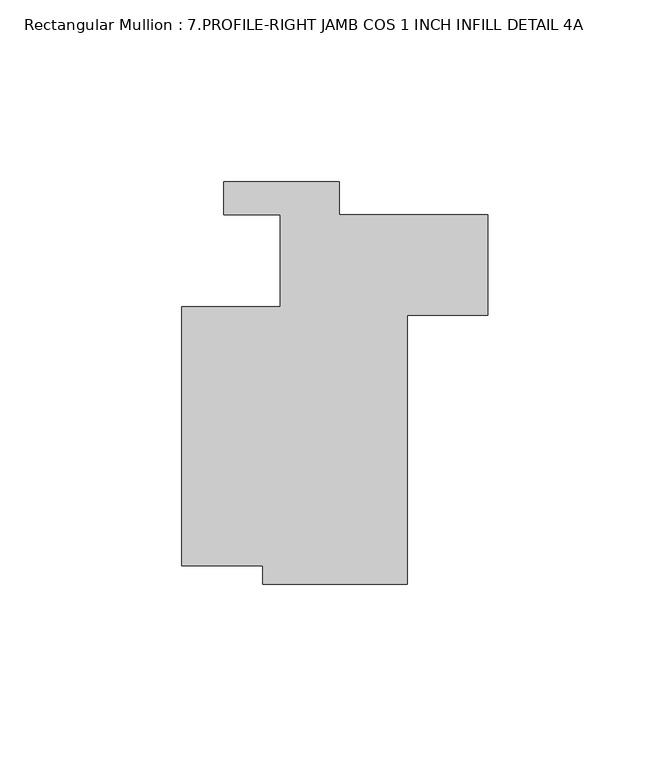
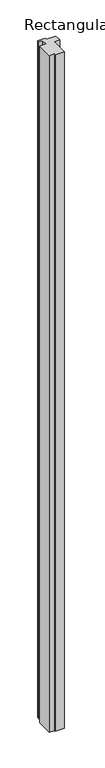
"""IFC4 building model written with IfcOpenShell, lengths in millimetres: member geometry, Rectangular Mullion : 7.PROFILE-RIGHT JAMB COS 1 INCH INFILL DETAIL 4A."""

from ifc_helpers import new_model, si_unit, frame, origin, place, context, project, spatial, polyline, outline, extrude, source, transform, mapped, element, save


def rectangular_mullion_7_profile_right_jamb_cos_1_inch_infill_df479822(model_context):
    return source(origin(), model_context, "Body", "SweptSolid", [
        extrude(outline(polyline([(-61.9058108, -0.1270025), (-84.1308108, -0.1270025), (-84.1308108, 70.9929973), (-57.1433114, 70.9929973), (-57.1433114, 96.3929973), (-72.6444604, 96.3929973), (-72.6444604, 105.3591975), (-40.8944604, 105.3591975), (-40.8944604, 96.3937914), (0.0, 96.3937914), (0.0, 68.7069975), (-22.2183108, 68.7069975), (-22.2183108, -5.2070025), (-61.9058108, -5.2070025), (-61.9058108, -0.1270025)])), frame((0.0, 0.0, -3048.0), z_axis=(0.0, 0.0, 1.0), x_axis=(1.0, 0.0, 0.0)), (0.0, 0.0, 1.0), 3048.0),
    ])


if __name__ == "__main__":
    model = new_model("IFC4")
    model_context = context("Model", 3, world=origin())
    ifc_project = project(units=[si_unit("LENGTHUNIT", "METRE", prefix="MILLI")], contexts=[model_context])
    site = spatial("IfcSite", under=ifc_project)
    building = spatial("IfcBuilding", under=site)
    placement = place(None, origin())
    rectangular_mullion_7_profile_right_jamb_cos_1_inch_infill_shape = rectangular_mullion_7_profile_right_jamb_cos_1_inch_infill_df479822(model_context)
    element("IfcMember", 1, ObjectType="Rectangular Mullion : 7.PROFILE-RIGHT JAMB COS 1 INCH INFILL DETAIL 4A", at=placement, inside=building, context=model_context, shape_type="MappedRepresentation", body=[
        mapped(rectangular_mullion_7_profile_right_jamb_cos_1_inch_infill_shape, transform((0.0, 0.0, 0.0), x_axis=(1.0, 0.0, 0.0), y_axis=(0.0, 1.0, 0.0), z_axis=(0.0, 0.0, 1.0))),
    ])
    save(model, "model.ifc")
